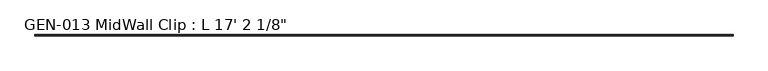
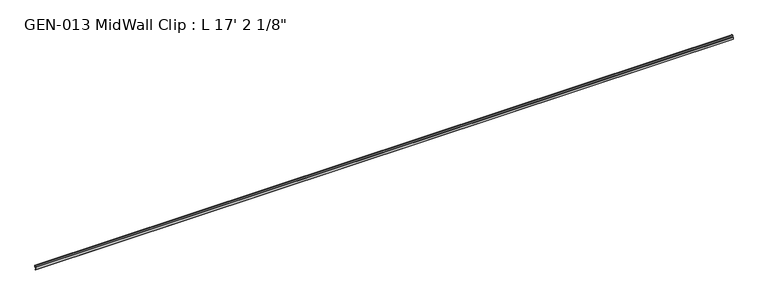
"""IFC4 building model written with IfcOpenShell, lengths in millimetres: proxy geometry."""

from ifc_helpers import new_model, si_unit, point, frame, frame_2d, origin, place, context, project, spatial, polyline, circle_curve, trimmed, segment, composite_curve, outline, extrude, source, transform, mapped, element, save


def proxy_05462628(model_context):
    return source(origin(), model_context, "Body", "SweptSolid", [
        extrude(outline(composite_curve([segment(polyline([(-3.1877, 1.1238237), (-3.1877, -13.4811763), (-1.6129, -13.4811763), (-1.6129, -15.0559763), (-4.7625, -15.0559763), (-4.7625, 3.9686237), (0.630157, 3.9686237), (2.4411308, 14.5447106)]), True, "CONTINUOUS"), segment(trimmed(circle_curve(frame_2d((3.5698235, 13.3878692)), 1.6162393), [point((2.4411308, 14.5447106))], [point((4.7625, 14.4786268))], False, "CARTESIAN"), True, "CONTINUOUS"), segment(polyline([(4.7625, 14.4786268), (4.7625, 2.3938237), (-1.9177, 2.3938237)]), True, "CONTINUOUS"), segment(trimmed(circle_curve(frame_2d((-1.9177, 1.1238237)), 1.27), [point((-1.9177, 2.3938237))], [point((-3.1877, 1.1238237))], True, "CARTESIAN"), True, "CONTINUOUS")], self_intersect=False)), frame((0.0, 0.0, 0.0), z_axis=(1.0, 0.0, 0.0), x_axis=(0.0, 1.0, 0.0)), (0.0, 0.0, 1.0), 5235.575),
    ])


if __name__ == "__main__":
    model = new_model("IFC4")
    model_context = context("Model", 3, world=origin())
    ifc_project = project(units=[si_unit("LENGTHUNIT", "METRE", prefix="MILLI")], contexts=[model_context])
    site = spatial("IfcSite", under=ifc_project)
    building = spatial("IfcBuilding", under=site)
    placement = place(None, origin())
    proxy_shape = proxy_05462628(model_context)
    element("IfcBuildingElementProxy", 1, Name="GEN-013 MidWall Clip : L 17' 2 1/8\"", ObjectType="GEN-013 MidWall Clip : L 17' 2 1/8\"", at=placement, inside=building, context=model_context, shape_type="MappedRepresentation", body=[
        mapped(proxy_shape, transform((0.0, 0.0, 0.0), x_axis=(1.0, 0.0, 0.0), y_axis=(0.0, 1.0, 0.0), z_axis=(0.0, 0.0, 1.0))),
    ])
    save(model, "model.ifc")
